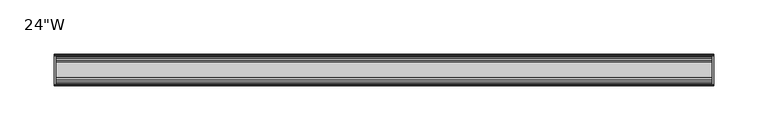
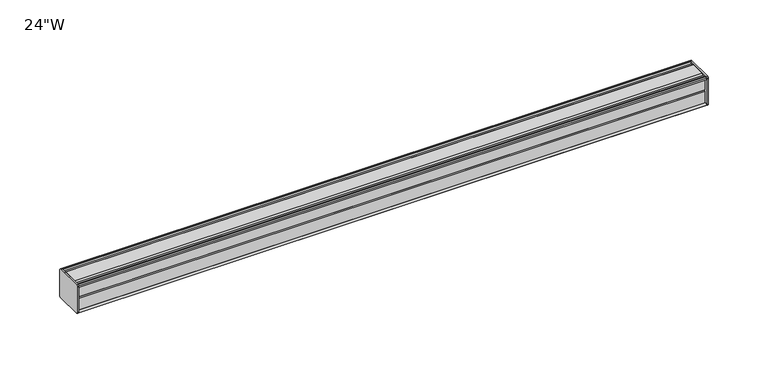
"""IFC4 building model written with IfcOpenShell, lengths in millimetres: furniture geometry."""

from ifc_helpers import new_model, si_unit, frame, origin, place, context, project, spatial, circle_curve, source, transform, mapped, element, save
from ifc_brep_helpers import plane_surface, cylinder_surface, advanced_brep


def furniture_69853d74(model_context):
    return source(origin(), model_context, "Body", "AdvancedBrep", [
        advanced_brep(
        [(303.2125, 14.5851562, 1373.9436262), (303.2125, 14.5851562, 1347.7932877), (303.2125, 14.4138595, 1346.9873997), (303.2125, 13.8374434, 1346.4109837), (303.2125, 12.9019306, 1346.1603131), (303.2125, -13.4067434, 1346.1603131), (303.2125, -14.3040014, 1347.0575711), (303.2125, -14.5851563, 1347.8259798), (303.2125, -14.5851563, 1373.7443327), (303.2125, -14.3040014, 1374.5127414), (303.2125, -13.4464303, 1375.3703125), (303.2125, 13.0500437, 1375.3703125), (303.2125, 13.8374434, 1375.1593288), (303.2125, 14.4138595, 1374.5829128), (304.8, 14.6248431, 1373.7955131), (304.8, 14.4138595, 1374.5829128), (304.8, 13.8374434, 1375.1593288), (304.8, 13.0500437, 1375.3703125), (304.8, -13.4464303, 1375.3703125), (304.8, -14.3040014, 1374.5127414), (304.8, -14.5851563, 1373.7443327), (304.8, -14.5851563, 1347.8259798), (304.8, -14.3040014, 1347.0575711), (304.8, -13.4067434, 1346.1603131), (304.8, 12.9019306, 1346.1603131), (304.8, 13.8374434, 1346.4109837), (304.8, 14.4138595, 1346.9873997), (304.8, 14.5851562, 1347.7932877)],
        [
            (0, 1),
            (1, 2),
            (2, 3),
            (3, 4),
            (4, 5),
            (5, 6),
            (6, 7, circle_curve(frame((303.2125, -13.3945313, 1347.8259798), z_axis=(-1.0, 0.0, 0.0), x_axis=(0.0, 1.0, 0.0)), 1.190625)),
            (7, 8),
            (8, 9, circle_curve(frame((303.2125, -13.3945313, 1373.7443327), z_axis=(-1.0, 0.0, 0.0), x_axis=(0.0, 1.0, 0.0)), 1.190625)),
            (9, 10),
            (10, 11),
            (11, 12),
            (12, 13),
            (13, 0),
            (14, 15),
            (15, 16),
            (16, 17),
            (17, 18),
            (18, 19),
            (19, 20, circle_curve(frame((304.8, -13.3945313, 1373.7443327), z_axis=(1.0, 0.0, 0.0), x_axis=(0.0, 1.0, 0.0)), 1.190625)),
            (20, 21),
            (21, 22, circle_curve(frame((304.8, -13.3945313, 1347.8259798), z_axis=(1.0, 0.0, 0.0), x_axis=(0.0, 1.0, 0.0)), 1.190625)),
            (22, 23),
            (23, 24),
            (24, 25),
            (25, 26),
            (26, 27),
            (27, 14),
            (13, 15),
            (14, 0),
            (12, 16),
            (11, 17),
            (10, 18),
            (9, 19),
            (8, 20),
            (7, 21),
            (6, 22),
            (5, 23),
            (4, 24),
            (3, 25),
            (2, 26),
            (1, 27),
        ],
        [
            plane_surface(frame((303.2125, 14.5851562, 1347.7932877), z_axis=(-1.0, 0.0, 0.0), x_axis=(0.0, 0.0, -1.0))),
            plane_surface(frame((304.8, 14.5851562, 1347.7932877), z_axis=(1.0, 0.0, 0.0), x_axis=(0.0, 0.0, 1.0))),
            plane_surface(frame((303.2125, 14.4138595, 1374.5829128), z_axis=(0.0, 0.9659256560349858, 0.25881968049857096), x_axis=(1.0, 0.0, 0.0))),
            plane_surface(frame((303.2125, 13.8374434, 1375.1593288), z_axis=(0.0, 0.7071067811866345, 0.7071067811864606), x_axis=(1.0, 0.0, 0.0))),
            plane_surface(frame((303.2125, 13.0500437, 1375.3703125), z_axis=(0.0, 0.25881968048234233, 0.9659256560393343), x_axis=(1.0, 0.0, 0.0))),
            plane_surface(frame((303.2125, -13.4464303, 1375.3703125), z_axis=(0.0, 0.0, 1.0), x_axis=(1.0, 0.0, 0.0))),
            plane_surface(frame((303.2125, -14.3040014, 1374.5127414), z_axis=(0.0, -0.7071067811807561, 0.707106781192339), x_axis=(1.0, 0.0, 0.0))),
            cylinder_surface(frame((304.8, -13.3945313, 1373.7443327), z_axis=(-1.0, 0.0, 0.0), x_axis=(0.0, 1.0, 0.0)), 1.190625),
            plane_surface(frame((303.2125, -14.5851563, 1347.8259798), z_axis=(0.0, -1.0, 0.0), x_axis=(1.0, 0.0, 0.0))),
            cylinder_surface(frame((304.8, -13.3945313, 1347.8259798), z_axis=(-1.0, 0.0, 0.0), x_axis=(0.0, 1.0, 0.0)), 1.190625),
            plane_surface(frame((303.2125, -13.4067434, 1346.1603131), z_axis=(0.0, -0.7071067811894153, -0.7071067811836799), x_axis=(1.0, 0.0, 0.0))),
            plane_surface(frame((303.2125, 12.9019306, 1346.1603131), z_axis=(0.0, 0.0, -1.0), x_axis=(1.0, 0.0, 0.0))),
            plane_surface(frame((303.2125, 13.8374434, 1346.4109837), z_axis=(0.0, 0.25881968049856396, -0.9659256560349876), x_axis=(1.0, 0.0, 0.0))),
            plane_surface(frame((303.2125, 14.4138595, 1346.9873997), z_axis=(0.0, 0.7071067811865204, -0.7071067811865748), x_axis=(1.0, 0.0, 0.0))),
            plane_surface(frame((303.2125, 14.5851562, 1347.7932877), z_axis=(0.0, 0.9781476007322519, -0.2079116908250694), x_axis=(1.0, 0.0, 0.0))),
            plane_surface(frame((303.2125, 14.5851562, 1373.9436262), z_axis=(0.0, 1.0, 0.0), x_axis=(1.0, 0.0, 0.0))),
        ],
        [
            (0, [[1, 2, 3, 4, 5, 6, 7, 8, 9, 10, 11, 12, 13, 14]]),
            (1, [[15, 16, 17, 18, 19, 20, 21, 22, 23, 24, 25, 26, 27, 28]]),
            (2, [[-14, 29, -15, 30]]),
            (3, [[-13, 31, -16, -29]]),
            (4, [[-12, 32, -17, -31]]),
            (5, [[-11, 33, -18, -32]]),
            (6, [[-10, 34, -19, -33]]),
            (7, [[-9, 35, -20, -34]]),
            (8, [[-8, 36, -21, -35]]),
            (9, [[-7, 37, -22, -36]]),
            (10, [[-6, 38, -23, -37]]),
            (11, [[-5, 39, -24, -38]]),
            (12, [[-4, 40, -25, -39]]),
            (13, [[-3, 41, -26, -40]]),
            (14, [[-2, 42, -27, -41]]),
            (15, [[-1, -30, -28, -42]]),
        ],
    ),
        advanced_brep(
        [(-303.2125, 14.6248431, 1373.7955131), (-303.2125, 14.4138595, 1374.5829128), (-303.2125, 13.8374434, 1375.1593288), (-303.2125, 13.0500437, 1375.3703125), (-303.2125, -13.4464303, 1375.3703125), (-303.2125, -14.3040014, 1374.5127414), (-303.2125, -14.5851563, 1373.7443327), (-303.2125, -14.5851563, 1347.8259798), (-303.2125, -14.3040014, 1347.0575711), (-303.2125, -13.4067434, 1346.1603131), (-303.2125, 12.9019306, 1346.1603131), (-303.2125, 13.8374434, 1346.4109837), (-303.2125, 14.4138595, 1346.9873997), (-303.2125, 14.5851562, 1347.7932877), (-304.8, 14.5851562, 1373.9436262), (-304.8, 14.5851562, 1347.7932877), (-304.8, 14.4138595, 1346.9873997), (-304.8, 13.8374434, 1346.4109837), (-304.8, 12.9019306, 1346.1603131), (-304.8, -13.4067434, 1346.1603131), (-304.8, -14.3040014, 1347.0575711), (-304.8, -14.5851563, 1347.8259798), (-304.8, -14.5851563, 1373.7443327), (-304.8, -14.3040014, 1374.5127414), (-304.8, -13.4464303, 1375.3703125), (-304.8, 13.0500437, 1375.3703125), (-304.8, 13.8374434, 1375.1593288), (-304.8, 14.4138595, 1374.5829128)],
        [
            (0, 1),
            (1, 2),
            (2, 3),
            (3, 4),
            (4, 5),
            (5, 6, circle_curve(frame((-303.2125, -13.3945313, 1373.7443327), z_axis=(1.0, 0.0, 0.0), x_axis=(0.0, 1.0, 0.0)), 1.190625)),
            (6, 7),
            (7, 8, circle_curve(frame((-303.2125, -13.3945313, 1347.8259798), z_axis=(1.0, 0.0, 0.0), x_axis=(0.0, 1.0, 0.0)), 1.190625)),
            (8, 9),
            (9, 10),
            (10, 11),
            (11, 12),
            (12, 13),
            (13, 0),
            (14, 15),
            (15, 16),
            (16, 17),
            (17, 18),
            (18, 19),
            (19, 20),
            (20, 21, circle_curve(frame((-304.8, -13.3945313, 1347.8259798), z_axis=(-1.0, 0.0, 0.0), x_axis=(0.0, 1.0, 0.0)), 1.190625)),
            (21, 22),
            (22, 23, circle_curve(frame((-304.8, -13.3945313, 1373.7443327), z_axis=(-1.0, 0.0, 0.0), x_axis=(0.0, 1.0, 0.0)), 1.190625)),
            (23, 24),
            (24, 25),
            (25, 26),
            (26, 27),
            (27, 14),
            (0, 14),
            (27, 1),
            (26, 2),
            (25, 3),
            (24, 4),
            (23, 5),
            (22, 6),
            (21, 7),
            (20, 8),
            (19, 9),
            (18, 10),
            (17, 11),
            (16, 12),
            (15, 13),
        ],
        [
            plane_surface(frame((-303.2125, 14.6248431, 1373.7955131), z_axis=(1.0, 0.0, 0.0), x_axis=(0.0, -0.2588196804654467, 0.9659256560438614))),
            plane_surface(frame((-304.8, 14.6248431, 1373.7955131), z_axis=(-1.0, 0.0, 0.0), x_axis=(0.0, 0.2588196804654467, -0.9659256560438614))),
            plane_surface(frame((-303.2125, 14.6248431, 1373.7955131), z_axis=(0.0, 0.9659256560438614, 0.2588196804654467), x_axis=(-1.0, 0.0, 0.0))),
            plane_surface(frame((-303.2125, 14.4138595, 1374.5829128), z_axis=(0.0, 0.7071067811204292, 0.7071067812526658), x_axis=(-1.0, 0.0, 0.0))),
            plane_surface(frame((-303.2125, 13.8374434, 1375.1593288), z_axis=(0.0, 0.25881968048975534, 0.9659256560373479), x_axis=(-1.0, 0.0, 0.0))),
            plane_surface(frame((-303.2125, 13.0500437, 1375.3703125), z_axis=(0.0, 0.0, 1.0), x_axis=(-1.0, 0.0, 0.0))),
            plane_surface(frame((-303.2125, -13.4464303, 1375.3703125), z_axis=(0.0, -0.7071067811870986, 0.7071067811859965), x_axis=(-1.0, 0.0, 0.0))),
            cylinder_surface(frame((-304.8, -13.3945313, 1373.7443327), z_axis=(1.0, 0.0, 0.0), x_axis=(0.0, 1.0, 0.0)), 1.190625),
            plane_surface(frame((-303.2125, -14.5851563, 1373.7443327), z_axis=(0.0, -1.0, 0.0), x_axis=(-1.0, 0.0, 0.0))),
            cylinder_surface(frame((-304.8, -13.3945313, 1347.8259798), z_axis=(1.0, 0.0, 0.0), x_axis=(0.0, 1.0, 0.0)), 1.190625),
            plane_surface(frame((-303.2125, -14.3040014, 1347.0575711), z_axis=(0.0, -0.7071067811865341, -0.7071067811865609), x_axis=(-1.0, 0.0, 0.0))),
            plane_surface(frame((-303.2125, -13.4067434, 1346.1603131), z_axis=(0.0, 0.0, -1.0), x_axis=(-1.0, 0.0, 0.0))),
            plane_surface(frame((-303.2125, 12.9019306, 1346.1603131), z_axis=(0.0, 0.25881968049856563, -0.9659256560349873), x_axis=(-1.0, 0.0, 0.0))),
            plane_surface(frame((-303.2125, 13.8374434, 1346.4109837), z_axis=(0.0, 0.707106781186519, -0.7071067811865761), x_axis=(-1.0, 0.0, 0.0))),
            plane_surface(frame((-303.2125, 14.4138595, 1346.9873997), z_axis=(0.0, 0.9781476007324962, -0.20791169082391994), x_axis=(-1.0, 0.0, 0.0))),
            plane_surface(frame((-303.2125, 14.5851562, 1347.7932877), z_axis=(0.0, 1.0, 0.0), x_axis=(-1.0, 0.0, 0.0))),
        ],
        [
            (0, [[1, 2, 3, 4, 5, 6, 7, 8, 9, 10, 11, 12, 13, 14]]),
            (1, [[15, 16, 17, 18, 19, 20, 21, 22, 23, 24, 25, 26, 27, 28]]),
            (2, [[-1, 29, -28, 30]]),
            (3, [[-2, -30, -27, 31]]),
            (4, [[-3, -31, -26, 32]]),
            (5, [[-4, -32, -25, 33]]),
            (6, [[-5, -33, -24, 34]]),
            (7, [[-6, -34, -23, 35]]),
            (8, [[-7, -35, -22, 36]]),
            (9, [[-8, -36, -21, 37]]),
            (10, [[-9, -37, -20, 38]]),
            (11, [[-10, -38, -19, 39]]),
            (12, [[-11, -39, -18, 40]]),
            (13, [[-12, -40, -17, 41]]),
            (14, [[-13, -41, -16, 42]]),
            (15, [[-14, -42, -15, -29]]),
        ],
    ),
        advanced_brep(
        [(303.2125, -7.3748315, 1375.3703125), (303.2125, -8.9105708, 1374.3395796), (303.2125, -10.7601399, 1374.3395796), (303.2125, -12.2958792, 1375.3703125), (303.2125, -13.4464303, 1375.3703125), (303.2125, -14.3040014, 1374.5127414), (303.2125, -13.3945313, 1372.5537077), (303.2125, -13.3945313, 1373.465312), (303.2125, -12.2039063, 1373.465312), (303.2125, -12.2039063, 1361.5590632), (303.2125, -11.4101564, 1360.7653134), (303.2125, -12.2039063, 1359.9715636), (303.2125, -12.2039063, 1348.0653131), (303.2125, -13.3945313, 1348.0653131), (303.2125, -13.3945313, 1349.0166048), (303.2125, -14.3040014, 1347.0575711), (303.2125, -13.4067434, 1346.1603131), (303.2125, -12.2958792, 1346.1603131), (303.2125, -10.7601399, 1347.1910471), (303.2125, -8.9105708, 1347.1910471), (303.2125, -7.4339628, 1346.2), (303.2125, 7.4145184, 1346.2), (303.2125, 8.9502576, 1347.2307329), (303.2125, 10.7998291, 1347.2307329), (303.2125, 12.2275037, 1346.2), (303.2125, 13.0500437, 1346.2), (303.2125, 13.8374434, 1346.4109837), (303.2125, 14.4138595, 1346.9873997), (303.2125, 14.5851562, 1347.7932877), (303.2125, 14.5851562, 1373.9436262), (303.2125, 14.4138595, 1374.5829128), (303.2125, 13.8374434, 1375.1593288), (303.2125, 13.0500437, 1375.3703125), (303.2125, 12.2275037, 1375.3703125), (303.2125, 10.7998291, 1374.3395796), (303.2125, 8.9502576, 1374.3395796), (303.2125, 7.4145184, 1375.3703125), (-303.2125, -7.3748315, 1375.3703125), (-303.2125, 7.4145184, 1375.3703125), (-303.2125, 8.9502576, 1374.3395796), (-303.2125, 10.7998291, 1374.3395796), (-303.2125, 12.2275037, 1375.3703125), (-303.2125, 13.0500437, 1375.3703125), (-303.2125, 13.8374434, 1375.1593288), (-303.2125, 14.4138595, 1374.5829128), (-303.2125, 14.6248431, 1373.7955131), (-303.2125, 14.5851562, 1347.7932877), (-303.2125, 14.4138595, 1346.9873997), (-303.2125, 13.8374434, 1346.4109837), (-303.2125, 13.0500437, 1346.2), (-303.2125, 12.2275037, 1346.2), (-303.2125, 10.7998291, 1347.2307329), (-303.2125, 8.9502576, 1347.2307329), (-303.2125, 7.4145184, 1346.2), (-303.2125, -7.4339628, 1346.2), (-303.2125, -8.9105708, 1347.1910471), (-303.2125, -10.7601399, 1347.1910471), (-303.2125, -12.2958792, 1346.1603131), (-303.2125, -13.4067434, 1346.1603131), (-303.2125, -14.3040014, 1347.0575711), (-303.2125, -13.3945313, 1349.0166048), (-303.2125, -13.3945313, 1348.0653131), (-303.2125, -12.2039063, 1348.0653131), (-303.2125, -12.2039063, 1359.9715636), (-303.2125, -11.4101564, 1360.7653134), (-303.2125, -12.2039063, 1361.5590632), (-303.2125, -12.2039063, 1373.465312), (-303.2125, -13.3945313, 1373.465312), (-303.2125, -13.3945313, 1372.5537077), (-303.2125, -14.3040014, 1374.5127414), (-303.2125, -13.4464303, 1375.3703125), (-303.2125, -12.2958792, 1375.3703125), (-303.2125, -10.7601399, 1374.3395796), (-303.2125, -8.9105708, 1374.3395796)],
        [
            (0, 1),
            (1, 2),
            (2, 3),
            (3, 4),
            (4, 5),
            (5, 6, circle_curve(frame((303.2125, -13.3945313, 1373.7443327), z_axis=(1.0, 0.0, 0.0), x_axis=(0.0, 1.0, 0.0)), 1.190625)),
            (6, 7),
            (7, 8),
            (8, 9),
            (9, 10),
            (10, 11),
            (11, 12),
            (12, 13),
            (13, 14),
            (14, 15, circle_curve(frame((303.2125, -13.3945313, 1347.8259798), z_axis=(1.0, 0.0, 0.0), x_axis=(0.0, 1.0, 0.0)), 1.190625)),
            (15, 16),
            (16, 17),
            (17, 18),
            (18, 19),
            (19, 20),
            (20, 21),
            (21, 22),
            (22, 23),
            (23, 24),
            (24, 25),
            (25, 26),
            (26, 27),
            (27, 28),
            (28, 29),
            (29, 30),
            (30, 31),
            (31, 32),
            (32, 33),
            (33, 34),
            (34, 35),
            (35, 36),
            (36, 0),
            (37, 38),
            (38, 39),
            (39, 40),
            (40, 41),
            (41, 42),
            (42, 43),
            (43, 44),
            (44, 45),
            (45, 46),
            (46, 47),
            (47, 48),
            (48, 49),
            (49, 50),
            (50, 51),
            (51, 52),
            (52, 53),
            (53, 54),
            (54, 55),
            (55, 56),
            (56, 57),
            (57, 58),
            (58, 59),
            (59, 60, circle_curve(frame((-303.2125, -13.3945313, 1347.8259798), z_axis=(-1.0, 0.0, 0.0), x_axis=(0.0, 1.0, 0.0)), 1.190625)),
            (60, 61),
            (61, 62),
            (62, 63),
            (63, 64),
            (64, 65),
            (65, 66),
            (66, 67),
            (67, 68),
            (68, 69, circle_curve(frame((-303.2125, -13.3945313, 1373.7443327), z_axis=(-1.0, 0.0, 0.0), x_axis=(0.0, 1.0, 0.0)), 1.190625)),
            (69, 70),
            (70, 71),
            (71, 72),
            (72, 73),
            (73, 37),
            (0, 37),
            (73, 1),
            (72, 2),
            (71, 3),
            (70, 4),
            (69, 5),
            (68, 6),
            (67, 7),
            (66, 8),
            (65, 9),
            (64, 10),
            (63, 11),
            (62, 12),
            (61, 13),
            (60, 14),
            (59, 15),
            (58, 16),
            (57, 17),
            (56, 18),
            (55, 19),
            (54, 20),
            (53, 21),
            (52, 22),
            (51, 23),
            (50, 24),
            (49, 25),
            (48, 26),
            (47, 27),
            (46, 28),
            (45, 29),
            (44, 30),
            (43, 31),
            (42, 32),
            (41, 33),
            (40, 34),
            (39, 35),
            (38, 36),
        ],
        [
            plane_surface(frame((303.2125, -7.3748315, 1375.3703125), z_axis=(1.0000000000000002, 0.0, 0.0), x_axis=(0.0, -0.8303227972591122, -0.5572827400447671))),
            plane_surface(frame((-303.2125, -7.3748315, 1375.3703125), z_axis=(-1.0000000000000002, 0.0, 0.0), x_axis=(0.0, 0.8303227972591122, 0.5572827400447671))),
            plane_surface(frame((303.2125, -7.3748315, 1375.3703125), z_axis=(0.0, -0.5572827400447671, 0.8303227972591122), x_axis=(-1.0, 0.0, 0.0))),
            plane_surface(frame((303.2125, -8.9105708, 1374.3395796), z_axis=(0.0, 0.0, 1.0), x_axis=(-1.0, 0.0, 0.0))),
            plane_surface(frame((303.2125, -10.7601399, 1374.3395796), z_axis=(0.0, 0.5572827400447673, 0.8303227972591121), x_axis=(-1.0, 0.0, 0.0))),
            plane_surface(frame((303.2125, -12.2958792, 1375.3703125), z_axis=(0.0, 0.0, 1.0), x_axis=(-1.0, 0.0, 0.0))),
            plane_surface(frame((303.2125, -13.4464303, 1375.3703125), z_axis=(0.0, -0.7071067811833291, 0.7071067811897659), x_axis=(-1.0, 0.0, 0.0))),
            cylinder_surface(frame((-303.2125, -13.3945313, 1373.7443327), z_axis=(1.0, 0.0, 0.0), x_axis=(0.0, 1.0, 0.0)), 1.190625),
            plane_surface(frame((303.2125, -13.3945313, 1372.5537077), z_axis=(0.0, 1.0, 0.0), x_axis=(-1.0, 0.0, 0.0))),
            plane_surface(frame((303.2125, -13.3945313, 1373.465312), z_axis=(0.0, 0.0, -1.0), x_axis=(-1.0, 0.0, 0.0))),
            plane_surface(frame((303.2125, -12.2039063, 1373.465312), z_axis=(0.0, -1.0, 0.0), x_axis=(-1.0, 0.0, 0.0))),
            plane_surface(frame((303.2125, -12.2039063, 1361.5590632), z_axis=(0.0, -0.7071067811865249, -0.7071067811865701), x_axis=(-1.0, 0.0, 0.0))),
            plane_surface(frame((303.2125, -11.4101564, 1360.7653134), z_axis=(0.0, -0.7071067811865522, 0.7071067811865428), x_axis=(-1.0, 0.0, 0.0))),
            plane_surface(frame((303.2125, -12.2039063, 1359.9715636), z_axis=(0.0, -1.0, 0.0), x_axis=(-1.0, 0.0, 0.0))),
            plane_surface(frame((303.2125, -12.2039063, 1348.0653131), z_axis=(0.0, 0.0, 1.0), x_axis=(-1.0, 0.0, 0.0))),
            plane_surface(frame((303.2125, -13.3945313, 1348.0653131), z_axis=(0.0, 1.0, 0.0), x_axis=(-1.0, 0.0, 0.0))),
            cylinder_surface(frame((-303.2125, -13.3945313, 1347.8259798), z_axis=(1.0, 0.0, 0.0), x_axis=(0.0, 1.0, 0.0)), 1.190625),
            plane_surface(frame((303.2125, -14.3040014, 1347.0575711), z_axis=(0.0, -0.7071067811865901, -0.707106781186505), x_axis=(-1.0, 0.0, 0.0))),
            plane_surface(frame((303.2125, -13.4067434, 1346.1603131), z_axis=(0.0, 0.0, -1.0), x_axis=(-1.0, 0.0, 0.0))),
            plane_surface(frame((303.2125, -12.2958792, 1346.1603131), z_axis=(0.0, 0.5572831632988446, -0.8303225131860712), x_axis=(-1.0, 0.0, 0.0))),
            plane_surface(frame((303.2125, -10.7601399, 1347.1910471), z_axis=(0.0, 0.0, -1.0), x_axis=(-1.0, 0.0, 0.0))),
            plane_surface(frame((303.2125, -8.9105708, 1347.1910471), z_axis=(0.0, -0.5572831633017836, -0.8303225131840987), x_axis=(-1.0, 0.0, 0.0))),
            plane_surface(frame((303.2125, -7.4339628, 1346.2), z_axis=(0.0, 0.0, -1.0), x_axis=(-1.0, 0.0, 0.0))),
            plane_surface(frame((303.2125, 7.4145184, 1346.2), z_axis=(0.0, 0.5572827400504189, -0.8303227972553188), x_axis=(-1.0, 0.0, 0.0))),
            plane_surface(frame((303.2125, 8.9502576, 1347.2307329), z_axis=(0.0, 0.0, -1.0), x_axis=(-1.0, 0.0, 0.0))),
            plane_surface(frame((303.2125, 10.7998291, 1347.2307329), z_axis=(0.0, -0.5853541342124147, -0.8107777362264177), x_axis=(-1.0, 0.0, 0.0))),
            plane_surface(frame((303.2125, 12.2275037, 1346.2), z_axis=(0.0, 0.0, -1.0), x_axis=(-1.0, 0.0, 0.0))),
            plane_surface(frame((303.2125, 13.0500437, 1346.2), z_axis=(0.0, 0.2588196804985639, -0.9659256560349877), x_axis=(-1.0, 0.0, 0.0))),
            plane_surface(frame((303.2125, 13.8374434, 1346.4109837), z_axis=(0.0, 0.7071067811865592, -0.7071067811865358), x_axis=(-1.0, 0.0, 0.0))),
            plane_surface(frame((303.2125, 14.4138595, 1346.9873997), z_axis=(0.0, 0.9781476007325025, -0.20791169082388997), x_axis=(-1.0, 0.0, 0.0))),
            plane_surface(frame((303.2125, 14.5851562, 1347.7932877), z_axis=(0.0, 1.0, 0.0), x_axis=(-1.0, 0.0, 0.0))),
            plane_surface(frame((303.2125, 14.6248431, 1373.7955131), z_axis=(0.0, 0.9659256560439059, 0.2588196804652809), x_axis=(-1.0, 0.0, 0.0))),
            plane_surface(frame((303.2125, 14.4138595, 1374.5829128), z_axis=(0.0, 0.7071067811199622, 0.7071067812531329), x_axis=(-1.0, 0.0, 0.0))),
            plane_surface(frame((303.2125, 13.8374434, 1375.1593288), z_axis=(0.0, 0.2588196804898881, 0.9659256560373124), x_axis=(-1.0, 0.0, 0.0))),
            plane_surface(frame((303.2125, 13.0500437, 1375.3703125), z_axis=(0.0, 0.0, 1.0), x_axis=(-1.0, 0.0, 0.0))),
            plane_surface(frame((303.2125, 12.2275037, 1375.3703125), z_axis=(0.0, -0.5853541342095849, 0.8107777362284607), x_axis=(-1.0, 0.0, 0.0))),
            plane_surface(frame((303.2125, 10.7998291, 1374.3395796), z_axis=(0.0, 0.0, 1.0), x_axis=(-1.0, 0.0, 0.0))),
            plane_surface(frame((303.2125, 8.9502576, 1374.3395796), z_axis=(0.0, 0.5572827400447673, 0.8303227972591121), x_axis=(-1.0, 0.0, 0.0))),
            plane_surface(frame((303.2125, 7.4145184, 1375.3703125), z_axis=(0.0, 0.0, 1.0), x_axis=(-1.0, 0.0, 0.0))),
        ],
        [
            (0, [[1, 2, 3, 4, 5, 6, 7, 8, 9, 10, 11, 12, 13, 14, 15, 16, 17, 18, 19, 20, 21, 22, 23, 24, 25, 26, 27, 28, 29, 30, 31, 32, 33, 34, 35, 36, 37]]),
            (1, [[38, 39, 40, 41, 42, 43, 44, 45, 46, 47, 48, 49, 50, 51, 52, 53, 54, 55, 56, 57, 58, 59, 60, 61, 62, 63, 64, 65, 66, 67, 68, 69, 70, 71, 72, 73, 74]]),
            (2, [[-1, 75, -74, 76]]),
            (3, [[-2, -76, -73, 77]]),
            (4, [[-3, -77, -72, 78]]),
            (5, [[-4, -78, -71, 79]]),
            (6, [[-5, -79, -70, 80]]),
            (7, [[-6, -80, -69, 81]]),
            (8, [[-7, -81, -68, 82]]),
            (9, [[-8, -82, -67, 83]]),
            (10, [[-9, -83, -66, 84]]),
            (11, [[-10, -84, -65, 85]]),
            (12, [[-11, -85, -64, 86]]),
            (13, [[-12, -86, -63, 87]]),
            (14, [[-13, -87, -62, 88]]),
            (15, [[-14, -88, -61, 89]]),
            (16, [[-15, -89, -60, 90]]),
            (17, [[-16, -90, -59, 91]]),
            (18, [[-17, -91, -58, 92]]),
            (19, [[-18, -92, -57, 93]]),
            (20, [[-19, -93, -56, 94]]),
            (21, [[-20, -94, -55, 95]]),
            (22, [[-21, -95, -54, 96]]),
            (23, [[-22, -96, -53, 97]]),
            (24, [[-23, -97, -52, 98]]),
            (25, [[-24, -98, -51, 99]]),
            (26, [[-25, -99, -50, 100]]),
            (27, [[-26, -100, -49, 101]]),
            (28, [[-27, -101, -48, 102]]),
            (29, [[-28, -102, -47, 103]]),
            (30, [[-29, -103, -46, 104]]),
            (31, [[-30, -104, -45, 105]]),
            (32, [[-31, -105, -44, 106]]),
            (33, [[-32, -106, -43, 107]]),
            (34, [[-33, -107, -42, 108]]),
            (35, [[-34, -108, -41, 109]]),
            (36, [[-35, -109, -40, 110]]),
            (37, [[-36, -110, -39, 111]]),
            (38, [[-37, -111, -38, -75]]),
        ],
    ),
    ])


if __name__ == "__main__":
    model = new_model("IFC4")
    model_context = context("Model", 3, world=origin())
    ifc_project = project(units=[si_unit("LENGTHUNIT", "METRE", prefix="MILLI")], contexts=[model_context])
    site = spatial("IfcSite", under=ifc_project)
    building = spatial("IfcBuilding", under=site)
    placement = place(None, origin())
    furniture_shape = furniture_69853d74(model_context)
    element("IfcFurniture", 1, ObjectType="24\"W", at=placement, inside=building, context=model_context, shape_type="MappedRepresentation", body=[
        mapped(furniture_shape, transform((0.0, 0.0, 0.0), x_axis=(1.0, 0.0, 0.0), y_axis=(0.0, 1.0, 0.0), z_axis=(0.0, 0.0, 1.0))),
    ])
    save(model, "model.ifc")
